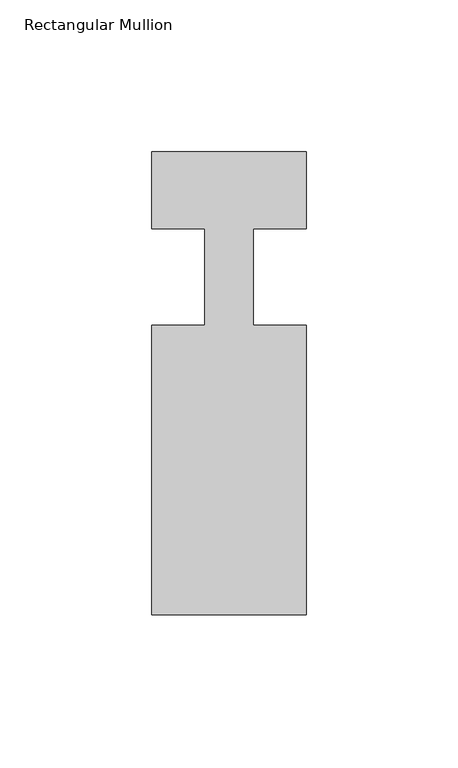
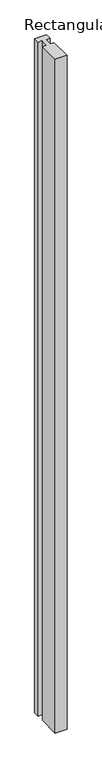
"""IFC4 building model written with IfcOpenShell, lengths in millimetres: member geometry, Rectangular Mullion."""

from ifc_helpers import new_model, si_unit, frame, origin, place, context, project, spatial, polyline, outline, extrude, source, transform, mapped, element, save


def rectangular_mullion_0e7d332c(model_context):
    return source(origin(), model_context, "Body", "SweptSolid", [
        extrude(outline(polyline([(25.4, -152.4), (-25.4, -152.4), (-25.4, -57.15), (-7.9502, -57.15), (-7.9502, -25.4), (-25.4, -25.4), (-25.4, 0.0), (25.4, 0.0), (25.4, -25.4), (7.9502, -25.4), (7.9502, -57.15), (25.4, -57.15), (25.4, -152.4)])), frame((0.0, 0.0, -3048.0), z_axis=(0.0, 0.0, 1.0), x_axis=(1.0, 0.0, 0.0)), (0.0, 0.0, 1.0), 3048.0),
    ])


if __name__ == "__main__":
    model = new_model("IFC4")
    model_context = context("Model", 3, world=origin())
    ifc_project = project(units=[si_unit("LENGTHUNIT", "METRE", prefix="MILLI")], contexts=[model_context])
    site = spatial("IfcSite", under=ifc_project)
    building = spatial("IfcBuilding", under=site)
    placement = place(None, origin())
    rectangular_mullion_shape = rectangular_mullion_0e7d332c(model_context)
    element("IfcMember", 1, ObjectType="Rectangular Mullion", at=placement, inside=building, context=model_context, shape_type="MappedRepresentation", body=[
        mapped(rectangular_mullion_shape, transform((0.0, 0.0, 0.0), x_axis=(1.0, 0.0, 0.0), y_axis=(0.0, 1.0, 0.0), z_axis=(0.0, 0.0, 1.0))),
    ])
    save(model, "model.ifc")
